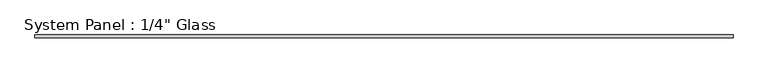
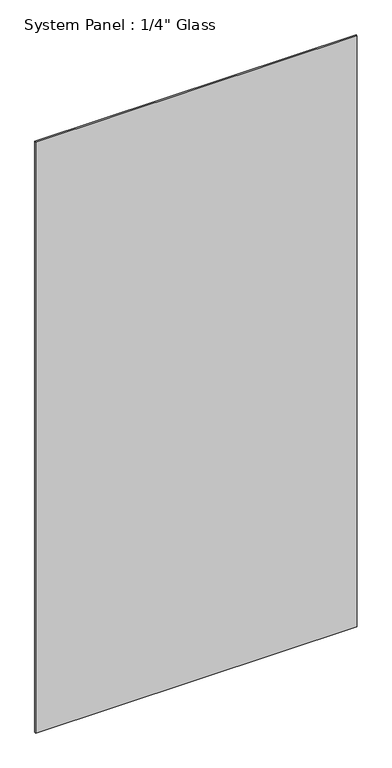
"""IFC4 building model written with IfcOpenShell, lengths in millimetres: plate geometry."""

from ifc_helpers import new_model, si_unit, origin, origin_with_axes, place, context, project, spatial, polyline, outline, extrude, source, transform, mapped, element, save


def plate_d694f0e4(model_context):
    return source(origin(), model_context, "Body", "SweptSolid", [
        extrude(outline(polyline([(762.0, -3.175), (-762.0, -3.175), (-762.0, 3.175), (762.0, 3.175), (762.0, -3.175)])), origin_with_axes(), (0.0, 0.0, 1.0), 2959.1),
    ])


if __name__ == "__main__":
    model = new_model("IFC4")
    model_context = context("Model", 3, world=origin())
    ifc_project = project(units=[si_unit("LENGTHUNIT", "METRE", prefix="MILLI")], contexts=[model_context])
    site = spatial("IfcSite", under=ifc_project)
    building = spatial("IfcBuilding", under=site)
    placement = place(None, origin())
    plate_shape = plate_d694f0e4(model_context)
    element("IfcPlate", 1, ObjectType="System Panel : 1/4\" Glass", at=placement, inside=building, context=model_context, shape_type="MappedRepresentation", body=[
        mapped(plate_shape, transform((0.0, 0.0, 0.0), x_axis=(1.0, 0.0, 0.0), y_axis=(0.0, 1.0, 0.0), z_axis=(0.0, 0.0, 1.0))),
    ])
    save(model, "model.ifc")
